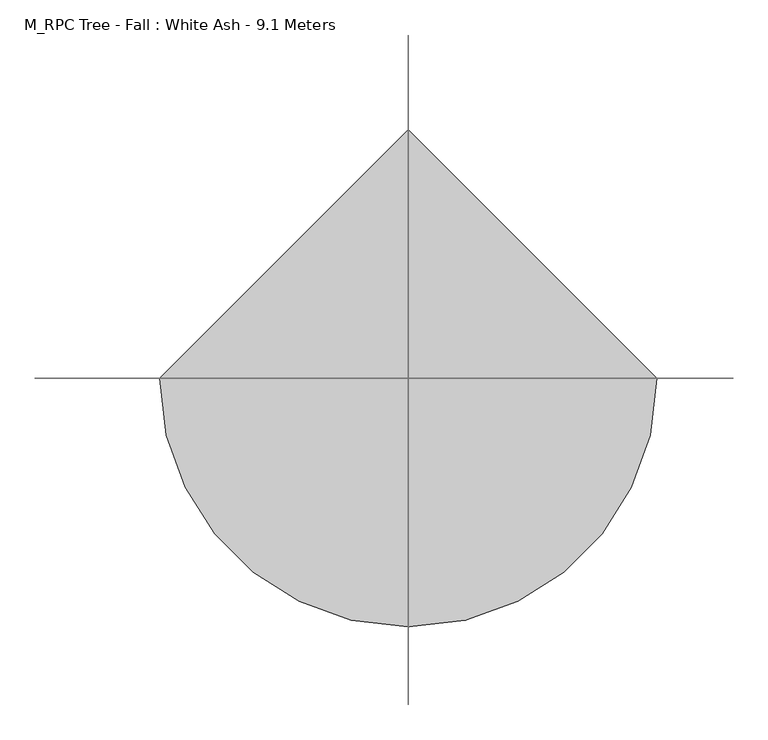
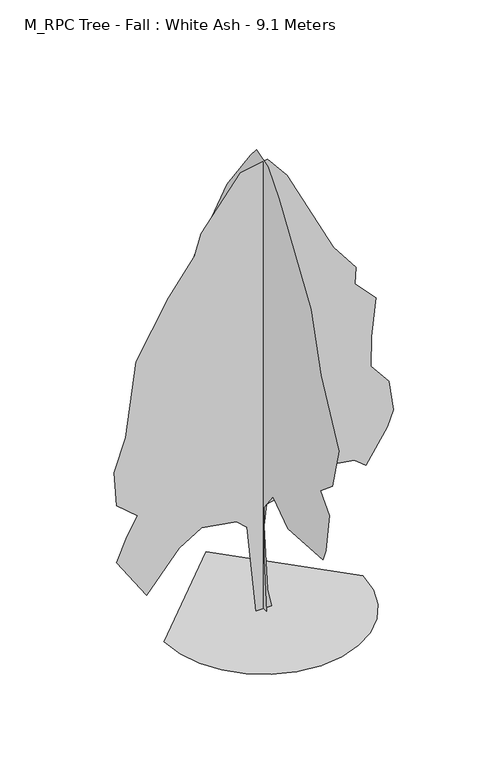
"""IFC4 building model written with IfcOpenShell, lengths in millimetres: geographic element geometry, M_RPC Tree - Fall : White Ash - 9.1 Meters."""

from ifc_helpers import new_model, si_unit, origin, place, context, project, spatial, triangles, source, transform, mapped, element, save


def m_rpc_tree_fall_white_ash_9_1_meters_351dbac9(model_context):
    return source(origin(), model_context, "Body", "Tessellation", [
        triangles([(-1893.9541626, 0.0, 0.0), (-1843.883963, -433.9692232, 0.0), (-1701.286853, -832.5015106, 0.0), (-1477.5757988, -1184.1763384, 0.0), (-1184.1763384, -1477.5757988, 0.0), (-832.4989672, -1701.2842369, 0.0), (-433.9692232, -1843.883963, 0.0), (8.28e-05, -1893.9541626, 0.0), (433.9692232, -1843.883963, 0.0), (832.5015106, -1701.286853, 0.0), (1184.1763384, -1477.5757988, 0.0), (1477.5757988, -1184.1763384, 0.0), (1701.2842369, -832.4989672, 0.0), (1843.883963, -433.9692232, 0.0), (1893.9541626, 0.0001656, 0.0), (-0.0002484, 1893.9541626, 0.0), (-6.4e-06, -107.405617, 0.0610504), (2.9e-05, -19.0626196, 1011.1043444), (6e-05, -22.354295, 2058.5176643), (5.36e-05, -324.0361078, 2446.4105576), (1.44e-05, -803.7126429, 2090.5193447), (-5.24e-05, -1968.4578999, 2177.5508057), (-5.06e-05, -2057.0642647, 2415.463028), (-3.49e-05, -2180.852203, 3189.1480705), (-7.7e-06, -1886.8561947, 3514.0689354), (-2.11e-05, -2273.6924664, 3839.0150894), (-9.1e-06, -2490.320668, 4674.5978073), (6.1e-05, -1902.3312675, 5850.571376), (0.0001148, -1565.3352676, 6981.854068), (0.0002247, -509.7166709, 8558.4305099), (0.0002588, -153.8275291, 8991.6918549), (0.0002851, 233.0097236, 9100.0073364), (0.0002899, 431.8357779, 8863.6345551), (0.0003049, 1207.8389202, 7815.7182861), (0.0003072, 2229.0898109, 5849.4086563), (0.0003043, 2564.2809792, 5082.1264206), (0.0002837, 2615.9234665, 4287.7464203), (0.0002662, 2461.1930855, 4009.235804), (0.0002339, 2383.8252789, 3080.8328796), (0.0002309, 2543.1738373, 2663.04123), (0.0001956, 2105.3018726, 2353.5702942), (0.0001818, 2167.1970772, 1765.5784229), (0.0001537, 1910.6045998, 1334.8775322), (0.0001348, 1718.465601, 1084.7435995), (9.33e-05, 697.2147829, 1734.630748), (8.96e-05, 511.5341472, 1982.2066246), (7.6e-05, 343.775528, 1862.5945942), (4.64e-05, 162.2824455, 1233.2683273), (5.8e-06, 97.5053129, 0.061075), (-139.0508875, 6.1e-06, 0.0679599), (-309.0109712, -0.0001945, 1745.2398388), (-508.0584509, -0.0002079, 1930.5286743), (-1178.8806587, -0.0001918, 2041.0027451), (-1610.7417984, -0.0001412, 1775.3305893), (-2227.9699665, -2.82e-05, 1053.8036276), (-2800.5020256, -0.0001047, 1904.8463757), (-2599.3413391, -0.0001688, 2369.0504539), (-2398.1805073, -0.0002182, 2709.4764771), (-2800.5020256, -0.0002412, 3049.892617), (-2846.9119835, -0.0003203, 3730.724897), (-2630.281311, -0.0004054, 4365.1219299), (-2429.1255661, -0.0005876, 5819.6314041), (-1808.7477356, -0.0007428, 6894.3425491), (-1315.0370281, -0.0008429, 7552.6773651), (-1191.2465464, -0.0008981, 7970.4437256), (-433.0466051, -0.0010456, 8929.811911), (77.5778138, -0.001079, 9022.6574066), (448.9412745, -0.0010417, 8573.9254944), (1337.319389, -0.0008703, 6809.9401428), (1763.2654827, -0.0008233, 6260.1731186), (1748.713028, -0.0007831, 5927.9468857), (2147.3033787, -0.0007511, 5513.2396408), (2062.4634991, -0.0006573, 4757.5596039), (2046.4829338, -0.0005858, 4163.5819061), (2388.021389, -0.000551, 3746.194883), (2475.967765, -0.0004829, 3142.7128235), (2367.6525742, -0.0004412, 2833.2619446), (1952.0779404, -0.0003475, 2198.842384), (1733.2404259, -0.00036, 2384.5229107), (1098.8284229, -0.0003436, 2479.7695679), (634.6218739, -0.0003102, 2369.0504539), (351.3614021, -0.0002721, 2153.5825012), (54.1728471, -0.0002508, 2083.9294853), (14.2947715, -0.0001993, 1666.2138485), (82.1546147, -4.65e-05, 360.0342012), (151.794441, -6.6e-06, 0.0679472)], [[15, 16, 1], [14, 15, 1], [14, 1, 2], [13, 14, 2], [13, 2, 3], [13, 3, 4], [12, 13, 4], [11, 12, 4], [11, 4, 5], [11, 5, 6], [11, 6, 7], [11, 7, 8], [11, 8, 9], [11, 9, 10], [48, 49, 17], [48, 17, 18], [48, 18, 19], [47, 48, 19], [43, 44, 45], [42, 43, 45], [41, 42, 45], [41, 45, 46], [39, 40, 41], [31, 32, 33], [21, 22, 23], [21, 23, 24], [21, 24, 25], [20, 21, 25], [46, 47, 19], [30, 31, 33], [30, 33, 34], [29, 30, 34], [29, 34, 35], [28, 29, 35], [28, 35, 36], [28, 36, 37], [28, 37, 38], [27, 28, 38], [26, 27, 38], [25, 26, 38], [20, 25, 38], [20, 38, 39], [20, 39, 41], [20, 41, 46], [20, 46, 19], [85, 86, 50], [85, 50, 51], [84, 85, 51], [54, 55, 56], [54, 56, 57], [77, 78, 79], [83, 84, 51], [83, 51, 52], [54, 57, 58], [53, 54, 58], [66, 67, 68], [65, 66, 68], [65, 68, 69], [64, 65, 69], [63, 64, 69], [62, 63, 69], [61, 62, 69], [61, 69, 70], [61, 70, 71], [61, 71, 72], [61, 72, 73], [61, 73, 74], [60, 61, 74], [59, 60, 74], [58, 59, 74], [53, 58, 74], [52, 53, 74], [83, 52, 74], [82, 83, 74], [81, 82, 74], [80, 81, 74], [80, 74, 75], [79, 80, 75], [77, 79, 75], [77, 75, 76]], closed=False),
    ])


if __name__ == "__main__":
    model = new_model("IFC4")
    model_context = context("Model", 3, world=origin())
    ifc_project = project(units=[si_unit("LENGTHUNIT", "METRE", prefix="MILLI")], contexts=[model_context])
    site = spatial("IfcSite", under=ifc_project)
    building = spatial("IfcBuilding", under=site)
    placement = place(None, origin())
    m_rpc_tree_fall_white_ash_9_1_meters_shape = m_rpc_tree_fall_white_ash_9_1_meters_351dbac9(model_context)
    element("IfcGeographicElement", 1, ObjectType="M_RPC Tree - Fall : White Ash - 9.1 Meters", at=placement, inside=building, context=model_context, shape_type="MappedRepresentation", body=[
        mapped(m_rpc_tree_fall_white_ash_9_1_meters_shape, transform((0.0, 0.0, 0.0), x_axis=(1.0, 0.0, 0.0), y_axis=(0.0, 1.0, 0.0), z_axis=(0.0, 0.0, 1.0))),
    ])
    save(model, "model.ifc")
